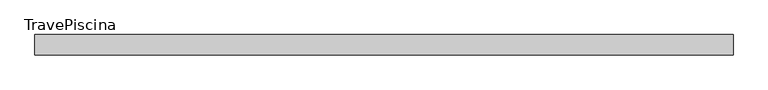
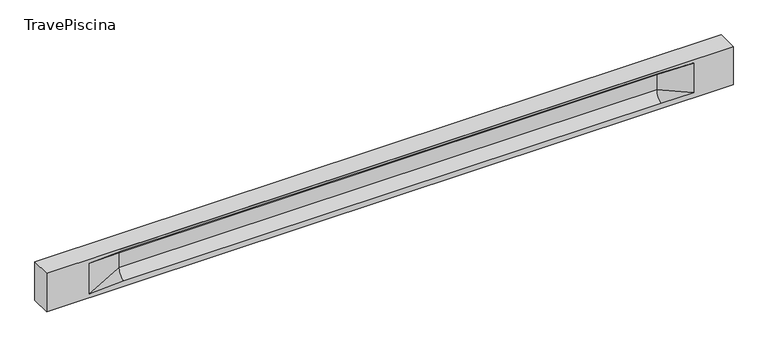
"""IFC4 building model written with IfcOpenShell, lengths in millimetres: beam geometry, TravePiscina."""

from ifc_helpers import new_model, si_unit, frame, origin, place, context, project, spatial, polyline, circle_curve, source, transform, mapped, element, save
from ifc_brep_helpers import plane_surface, revolved_surface, spline_surface, advanced_brep


def travepiscina_aa28582f(model_context):
    return source(origin(), model_context, "Body", "AdvancedBrep", [
        advanced_brep(
        [(8482.0, -250.0, 500.0), (8482.0, -250.0, -500.0), (8482.0, 250.0, -500.0), (8482.0, 250.0, 500.0), (-8482.0, -250.0, 500.0), (-8482.0, -250.0, -500.0), (7507.0, -250.0, -362.0), (6707.0, -250.0, -360.0), (-6582.0, -250.0, -360.0), (-7432.0, -250.0, -400.0), (-7432.0, -250.0, 400.0), (-6582.0, -250.0, 435.0), (6707.0, -250.0, 435.0), (7507.0, -250.0, 400.0), (-8482.0, 250.0, -500.0), (-8482.0, 250.0, 500.0), (7507.0, 250.0, 400.0), (6707.0, 250.0, 435.0), (-6582.0, 250.0, 435.0), (-7432.0, 250.0, 400.0), (-7432.0, 250.0, -400.0), (-6582.0, 250.0, -360.0), (6707.0, 250.0, -360.0), (7507.0, 250.0, -362.0), (6707.0, 155.0, 405.0), (-6582.0, 155.0, 405.0), (-6582.0, -60.0, 262.777021), (6707.0, -60.0, 262.777021), (6707.0, -155.0, 405.0), (-6582.0, -155.0, 405.0), (-6582.0, 60.0, 262.777021), (6707.0, 60.0, 262.777021), (6707.0, 60.0, -120.0), (-6582.0, 60.0, -120.0), (-6582.0, -60.0, -120.0), (6707.0, -60.0, -120.0)],
        [
            (0, 1),
            (1, 2),
            (2, 3),
            (3, 0),
            (0, 4),
            (4, 5),
            (5, 1),
            (6, 7),
            (7, 8),
            (8, 9),
            (9, 10),
            (10, 11),
            (11, 12),
            (12, 13),
            (13, 6),
            (5, 14),
            (14, 2),
            (14, 15),
            (15, 3),
            (16, 17),
            (17, 18),
            (18, 19),
            (19, 20),
            (20, 21),
            (21, 22),
            (22, 23),
            (23, 16),
            (15, 4),
            (17, 24),
            (24, 25),
            (25, 18),
            (26, 27),
            (27, 28, circle_curve(frame((6707.0, -213.9598725, 262.777021), z_axis=(1.0, 0.0, 0.0), x_axis=(0.0, 1.0, 0.0)), 153.9598725)),
            (28, 29),
            (29, 26, circle_curve(frame((-6582.0, -213.9598725, 262.777021), z_axis=(-1.0, 0.0, 0.0), x_axis=(0.0, 1.0, 0.0)), 153.9598725)),
            (30, 31),
            (31, 32),
            (32, 33),
            (33, 30),
            (28, 12),
            (11, 29),
            (34, 35),
            (35, 27),
            (26, 34),
            (25, 19),
            (22, 32, circle_curve(frame((6707.0, 306.5789474, -120.0), z_axis=(-1.0, 0.0, 0.0), x_axis=(0.0, 1.0, 0.0)), 246.5789474)),
            (32, 23),
            (10, 29),
            (10, 26),
            (13, 28),
            (27, 13),
            (30, 19),
            (25, 30, circle_curve(frame((-6582.0, 213.9598725, 262.777021), z_axis=(1.0, 0.0, 0.0), x_axis=(0.0, 1.0, 0.0)), 153.9598725)),
            (9, 34),
            (8, 34, circle_curve(frame((-6582.0, -306.5789474, -120.0), z_axis=(1.0, 0.0, 0.0), x_axis=(0.0, 1.0, 0.0)), 246.5789474)),
            (20, 33),
            (33, 21, circle_curve(frame((-6582.0, 306.5789474, -120.0), z_axis=(1.0, 0.0, 0.0), x_axis=(0.0, 1.0, 0.0)), 246.5789474)),
            (35, 6),
            (35, 7, circle_curve(frame((6707.0, -306.5789474, -120.0), z_axis=(-1.0, 0.0, 0.0), x_axis=(0.0, 1.0, 0.0)), 246.5789474)),
            (31, 16),
            (31, 24, circle_curve(frame((6707.0, 213.9598725, 262.777021), z_axis=(-1.0, 0.0, 0.0), x_axis=(0.0, 1.0, 0.0)), 153.9598725)),
            (24, 16),
        ],
        [
            plane_surface(frame((8482.0, 0.0, 0.0), z_axis=(1.0, 0.0, 0.0), x_axis=(0.0, 0.0, 1.0))),
            plane_surface(frame((8482.0, -250.0, 500.0), z_axis=(0.0, -1.0, 0.0), x_axis=(-1.0, 0.0, 0.0))),
            plane_surface(frame((8482.0, -250.0, -500.0), z_axis=(0.0, 0.0, -1.0), x_axis=(-1.0, 0.0, 0.0))),
            plane_surface(frame((8482.0, 250.0, -500.0), z_axis=(0.0, 1.0, 0.0), x_axis=(-1.0, 0.0, 0.0))),
            plane_surface(frame((8482.0, 250.0, 500.0), z_axis=(0.0, 0.0, 1.0), x_axis=(-1.0, 0.0, 0.0))),
            plane_surface(frame((-6582.0, 250.0, 435.0), z_axis=(0.0, 0.30113136793710954, -0.9535826651341378), x_axis=(1.0, 0.0, 0.0))),
            plane_surface(frame((-8482.0, 0.0, 0.0), z_axis=(-1.0, 0.0, 0.0), x_axis=(0.0, 0.0, 1.0))),
            revolved_surface(polyline([(6707.0, -60.0, 262.777021), (-6582.0, -60.0, 262.777021)]), (-6582.0, -213.9598725, 262.777021), (1.0, 0.0, 0.0)),
            plane_surface(frame((-6582.0, 60.0, 262.777021), z_axis=(0.0, 1.0, 0.0), x_axis=(1.0, 0.0, 0.0))),
            plane_surface(frame((-6582.0, -155.0, 405.0), z_axis=(0.0, -0.30113136793710693, -0.9535826651341387), x_axis=(1.0, 0.0, 0.0))),
            plane_surface(frame((-6582.0, -60.0, -120.0), z_axis=(0.0, -1.0, 0.0), x_axis=(1.0, 0.0, 0.0))),
            plane_surface(frame((-7432.0, 250.0, 400.0), z_axis=(0.03923493491469434, 0.30089950084952793, -0.9528484193567961), x_axis=(0.0, 0.9535826651341378, 0.30113136793710954))),
            spline_surface(2, 1, [[(6707.0, 250.0, -360.0), (7507.0, 250.0, -362.0)], [(6707.0, 60.00000002887427, -315.20833329480604), (7507.0, 250.0, -362.0)], [(6707.0, 60.0, -120.0), (7507.0, 250.0, -362.0)]], [3, 3], [2, 2], [0.0, 1.0], [0.0, 1.0], weights=[[1.0, 1.0], [0.7840458245391329, 0.7840458245391329], [1.0, 1.0]]),
            plane_surface(frame((-7432.0, -250.0, 400.0), z_axis=(0.03923493491469438, -0.3008995008495253, -0.952848419356797), x_axis=(0.0, 0.9535826651341387, -0.30113136793710693))),
            spline_surface(2, 1, [[(-7432.0, -250.0, 400.0), (-6582.0, -155.0, 405.0)], [(-7432.0, -250.0, 400.0), (-6582.0, -60.00000008030692, 365.6168572114734)], [(-7432.0, -250.0, 400.0), (-6582.0, -60.0, 262.777021)]], [3, 3], [2, 2], [0.0, 1.0], [0.0, 1.0], weights=[[1.0, 1.0], [0.8315515924557569, 0.8315515924557569], [1.0, 1.0]]),
            spline_surface(2, 1, [[(6707.0, -155.0, 405.0), (7507.0, -250.0, 400.0)], [(6707.0, -60.00000008030692, 365.6168572114734), (7507.0, -250.0, 400.0)], [(6707.0, -60.0, 262.777021), (7507.0, -250.0, 400.0)]], [3, 3], [2, 2], [0.0, 1.0], [0.0, 1.0], weights=[[1.0, 1.0], [0.8315515924557569, 0.8315515924557569], [1.0, 1.0]]),
            plane_surface(frame((6707.0, -202.5, 420.0), z_axis=(-0.04168298285568746, -0.30086965068766125, -0.9527538938442274), x_axis=(0.0, 0.9535826651341387, -0.30113136793710693))),
            spline_surface(2, 1, [[(-7432.0, 250.0, 400.0), (-6582.0, 60.0, 262.777021)], [(-7432.0, 250.0, 400.0), (-6582.0, 59.99999995452379, 365.6168572954922)], [(-7432.0, 250.0, 400.0), (-6582.0, 155.0, 405.0)]], [3, 3], [2, 2], [0.0, 1.0], [0.0, 1.0], weights=[[1.0, 1.0], [0.8315515921160737, 0.8315515921160737], [1.0, 1.0]]),
            plane_surface(frame((-7432.0, -250.0, 0.0), z_axis=(0.2181459637070523, -0.9759161534262671, 0.0), x_axis=(0.0, 0.0, -1.0))),
            spline_surface(2, 1, [[(-7432.0, -250.0, -400.0), (-6582.0, -60.0, -120.0)], [(-7432.0, -250.0, -400.0), (-6582.0, -59.99999998020837, -315.20833333333337)], [(-7432.0, -250.0, -400.0), (-6582.0, -250.0, -360.0)]], [3, 3], [2, 2], [0.0, 1.0], [0.0, 1.0], weights=[[1.0, 1.0], [0.7840458244617614, 0.7840458244617614], [1.0, 1.0]]),
            spline_surface(2, 1, [[(-7432.0, 250.0, -400.0), (-6582.0, 250.0, -360.0)], [(-7432.0, 250.0, -400.0), (-6582.0, 60.00000002887427, -315.20833329480604)], [(-7432.0, 250.0, -400.0), (-6582.0, 60.0, -120.0)]], [3, 3], [2, 2], [0.0, 1.0], [0.0, 1.0], weights=[[1.0, 1.0], [0.7840458245391329, 0.7840458245391329], [1.0, 1.0]]),
            plane_surface(frame((-7432.0, 250.0, 0.0), z_axis=(0.21814596370704822, 0.9759161534262681, 0.0), x_axis=(0.0, 0.0, 1.0))),
            plane_surface(frame((6707.0, -60.0, 71.3885105), z_axis=(-0.23107243079589737, -0.9729365507195602, 0.0), x_axis=(0.0, 0.0, -1.0))),
            spline_surface(2, 1, [[(6707.0, -60.0, -120.0), (7507.0, -250.0, -362.0)], [(6707.0, -59.99999998020837, -315.20833333333337), (7507.0, -250.0, -362.0)], [(6707.0, -250.0, -360.0), (7507.0, -250.0, -362.0)]], [3, 3], [2, 2], [0.0, 1.0], [0.0, 1.0], weights=[[1.0, 1.0], [0.7840458244617614, 0.7840458244617614], [1.0, 1.0]]),
            plane_surface(frame((6707.0, 60.0, 71.3885105), z_axis=(-0.23107243079589093, 0.9729365507195618, 0.0), x_axis=(0.0, 0.0, 1.0))),
            spline_surface(2, 1, [[(6707.0, 60.0, 262.777021), (7507.0, 250.0, 400.0)], [(6707.0, 59.99999995452379, 365.6168572954922), (7507.0, 250.0, 400.0)], [(6707.0, 155.0, 405.0), (7507.0, 250.0, 400.0)]], [3, 3], [2, 2], [0.0, 1.0], [0.0, 1.0], weights=[[1.0, 1.0], [0.8315515921160737, 0.8315515921160737], [1.0, 1.0]]),
            plane_surface(frame((6707.0, 202.5, 420.0), z_axis=(-0.04168298285568672, 0.30086965068766386, -0.9527538938442265), x_axis=(0.0, 0.9535826651341378, 0.30113136793710954))),
            revolved_surface(polyline([(6707.0, 367.919745, 262.777021), (-6582.0, 367.919745, 262.777021)]), (-6582.0, 213.9598725, 262.777021), (1.0, 0.0, 0.0)),
            revolved_surface(polyline([(6707.0, 553.1578948, -120.0), (-6582.0, 553.1578948, -120.0)]), (-6582.0, 306.5789474, -120.0), (1.0, 0.0, 0.0)),
            revolved_surface(polyline([(6707.0, -60.0, -120.0), (-6582.0, -60.0, -120.0)]), (-6582.0, -306.5789474, -120.0), (1.0, 0.0, 0.0)),
        ],
        [
            (0, [[1, 2, 3, 4]]),
            (1, [[-1, 5, 6, 7], [8, 9, 10, 11, 12, 13, 14, 15]]),
            (2, [[-2, -7, 16, 17]]),
            (3, [[-3, -17, 18, 19], [20, 21, 22, 23, 24, 25, 26, 27]]),
            (4, [[-5, -4, -19, 28]]),
            (5, [[-21, 29, 30, 31]]),
            (6, [[-28, -18, -16, -6]]),
            (7, [[32, 33, 34, 35]]),
            (8, [[36, 37, 38, 39]]),
            (9, [[-34, 40, -13, 41]]),
            (10, [[42, 43, -32, 44]]),
            (11, [[45, -22, -31]]),
            (12, [[-26, 46, 47]]),
            (13, [[-12, 48, -41]]),
            (14, [[-48, 49, -35]]),
            (15, [[50, -33, 51]]),
            (16, [[-14, -40, -50]]),
            (17, [[52, -45, 53]]),
            (18, [[-49, -11, 54, -44]]),
            (19, [[-54, -10, 55]]),
            (20, [[-24, 56, 57]]),
            (21, [[-52, -39, -56, -23]]),
            (22, [[-51, -43, 58, -15]]),
            (23, [[-58, 59, -8]]),
            (24, [[-47, -37, 60, -27]]),
            (25, [[-60, 61, 62]]),
            (26, [[-62, -29, -20]]),
            (27, [[-30, -61, -36, -53]]),
            (28, [[-38, -46, -25, -57]]),
            (29, [[-9, -59, -42, -55]]),
        ],
    ),
    ])


if __name__ == "__main__":
    model = new_model("IFC4")
    model_context = context("Model", 3, world=origin())
    ifc_project = project(units=[si_unit("LENGTHUNIT", "METRE", prefix="MILLI")], contexts=[model_context])
    site = spatial("IfcSite", under=ifc_project)
    building = spatial("IfcBuilding", under=site)
    placement = place(None, origin())
    travepiscina_shape = travepiscina_aa28582f(model_context)
    element("IfcBeam", 1, ObjectType="TravePiscina", at=placement, inside=building, context=model_context, shape_type="MappedRepresentation", body=[
        mapped(travepiscina_shape, transform((0.0, 0.0, 0.0), x_axis=(1.0, 0.0, 0.0), y_axis=(0.0, 1.0, 0.0), z_axis=(0.0, 0.0, 1.0))),
    ])
    save(model, "model.ifc")
